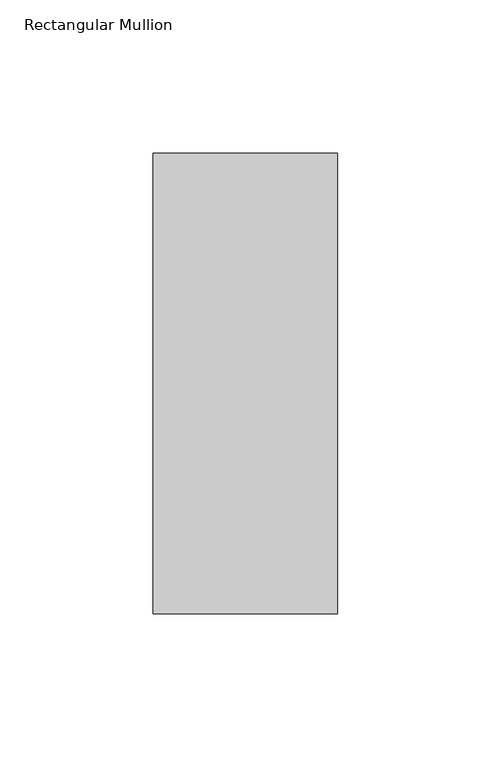
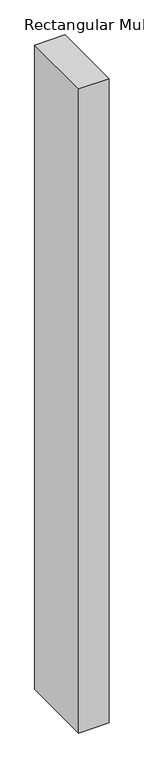
"""IFC4 building model written with IfcOpenShell, lengths in millimetres: member geometry, Rectangular Mullion."""

from ifc_helpers import new_model, si_unit, frame, origin, place, context, project, spatial, polyline, outline, extrude, source, transform, mapped, element, save


def rectangular_mullion_fc6634cb(model_context):
    return source(origin(), model_context, "Body", "SweptSolid", [
        extrude(outline(polyline([(30.0, 75.0), (30.0, -75.0), (-30.0, -75.0), (-30.0, 75.0), (30.0, 75.0)])), frame((0.0, 0.0, -1340.0), z_axis=(0.0, 0.0, 1.0), x_axis=(1.0, 0.0, 0.0)), (0.0, 0.0, 1.0), 1340.0),
    ])


if __name__ == "__main__":
    model = new_model("IFC4")
    model_context = context("Model", 3, world=origin())
    ifc_project = project(units=[si_unit("LENGTHUNIT", "METRE", prefix="MILLI")], contexts=[model_context])
    site = spatial("IfcSite", under=ifc_project)
    building = spatial("IfcBuilding", under=site)
    placement = place(None, origin())
    rectangular_mullion_shape = rectangular_mullion_fc6634cb(model_context)
    element("IfcMember", 1, ObjectType="Rectangular Mullion", at=placement, inside=building, context=model_context, shape_type="MappedRepresentation", body=[
        mapped(rectangular_mullion_shape, transform((0.0, 0.0, 0.0), x_axis=(1.0, 0.0, 0.0), y_axis=(0.0, 1.0, 0.0), z_axis=(0.0, 0.0, 1.0))),
    ])
    save(model, "model.ifc")
